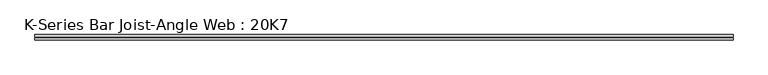
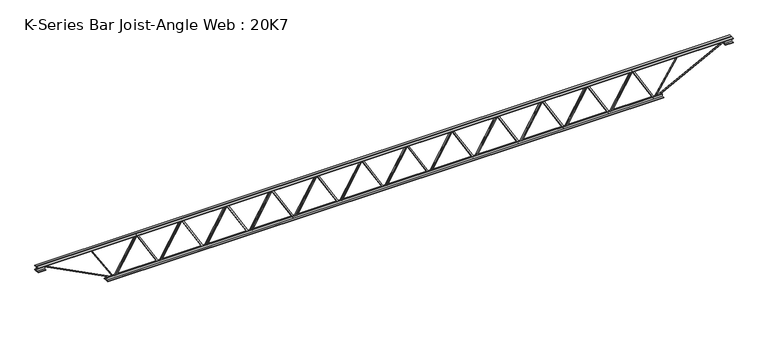
"""IFC4 building model written with IfcOpenShell, lengths in millimetres: beam geometry, K-Series Bar Joist-Angle Web : 20K7."""

import ifcopenshell
import ifcopenshell.guid

model = None  # the IFC model being written
_history = None  # IfcOwnerHistory: only IFC2X3 demands one
_inside = {}  # id of a spatial element -> (the spatial element, [elements in it])
_under = {}  # id of a project, library or spatial element -> (it, [spatial elements below it])
_declared = {}  # id of a project -> (the project, [libraries it declares])
_typed = {}  # id of a type object -> (the type object, [elements of that type])
_made_of = {}  # id of a material, layer set ... -> (it, [elements and type objects made of it])


def new_model(schema):
    """Start an empty IFC model of exactly this schema.

    Asked for "IFC4X3", IfcOpenShell would pick the latest addendum, in which some entities
    have other attributes; the version numbers below select the first issue.
    IFC2X3 requires an IfcOwnerHistory on every rooted entity: one is made here for all.
    """
    global model, _history
    if schema == "IFC4X3":
        model = ifcopenshell.file(schema_version=(4, 3, 0, 0))
    else:
        model = ifcopenshell.file(schema=schema)
    _inside.clear()
    _under.clear()
    _declared.clear()
    _typed.clear()
    _made_of.clear()
    _history = None
    if model.schema == "IFC2X3":
        org = make("IfcOrganization", Name="unknown")
        user = make(
            "IfcPersonAndOrganization",
            ThePerson=make("IfcPerson", FamilyName="unknown"),
            TheOrganization=org,
        )
        app = make(
            "IfcApplication",
            ApplicationDeveloper=org,
            Version="unknown",
            ApplicationFullName="unknown",
            ApplicationIdentifier="unknown",
        )
        _history = make(
            "IfcOwnerHistory",
            OwningUser=user,
            OwningApplication=app,
            ChangeAction="ADDED",
            CreationDate=0,
        )
    return model


def make(cls, **values):
    """One entity of the class cls with the attributes given. An attribute that is None is left unset."""
    return model.create_entity(
        cls, **{name: value for name, value in values.items() if value is not None}
    )


def rooted(cls, **values):
    """An entity with a GlobalId (a new one), such as an element, a storey or a relation."""
    return make(cls, GlobalId=ifcopenshell.guid.new(), OwnerHistory=_history, **values)


def si_unit(unit_type, name, prefix=None):
    """IfcSIUnit, for example si_unit("LENGTHUNIT", "METRE", prefix="MILLI")."""
    return make("IfcSIUnit", UnitType=unit_type, Prefix=prefix, Name=name)


def assignment(units):
    """IfcUnitAssignment: the units of a project."""
    return None if units is None else make("IfcUnitAssignment", Units=units)


def point(xyz):
    """IfcCartesianPoint."""
    return None if xyz is None else make("IfcCartesianPoint", Coordinates=xyz)


def direction(xyz):
    """IfcDirection."""
    return None if xyz is None else make("IfcDirection", DirectionRatios=xyz)


def frame(location, z_axis=None, x_axis=None):
    """IfcAxis2Placement3D, a coordinate frame: its origin and axes. An axis left out is left unset."""
    return make(
        "IfcAxis2Placement3D",
        Location=point(location),
        Axis=direction(z_axis),
        RefDirection=direction(x_axis),
    )


def origin():
    """The frame at (0, 0, 0) with its axes left unset."""
    return frame((0.0, 0.0, 0.0))


def place(relative_to, where):
    """IfcLocalPlacement: puts the frame where relative to a parent placement (None: the world)."""
    return make(
        "IfcLocalPlacement", PlacementRelTo=relative_to, RelativePlacement=where
    )


def context(
    kind, dimensions, precision=None, world=None, true_north=None, identifier=None
):
    """IfcGeometricRepresentationContext, for example the 3D "Model" context."""
    return make(
        "IfcGeometricRepresentationContext",
        ContextIdentifier=identifier,
        ContextType=kind,
        CoordinateSpaceDimension=dimensions,
        Precision=precision,
        WorldCoordinateSystem=world,
        TrueNorth=true_north,
    )


def project(units=None, contexts=None):
    """IfcProject with its units and contexts."""
    return rooted(
        "IfcProject",
        Name="project",
        RepresentationContexts=contexts,
        UnitsInContext=assignment(units),
    )


def spatial(cls, under=None, at=None, **own):
    """A site, building, storey or space (cls), placed at a placement, below another one or the project."""
    s = rooted(cls, ObjectPlacement=at, **own)
    if under is not None:
        _under.setdefault(under.id(), (under, []))[1].append(s)
    return s


def polyline(points):
    """IfcPolyline through the points."""
    return make("IfcPolyline", Points=[point(p) for p in points])


def outline(outer, holes=None, kind="AREA"):
    """IfcArbitraryClosedProfileDef: a profile drawn as a closed curve; with holes, ...WithVoids."""
    if holes is None:
        return make("IfcArbitraryClosedProfileDef", ProfileType=kind, OuterCurve=outer)
    return make(
        "IfcArbitraryProfileDefWithVoids",
        ProfileType=kind,
        OuterCurve=outer,
        InnerCurves=holes,
    )


def extrude(swept, where, along, depth):
    """IfcExtrudedAreaSolid: the profile swept, set in the frame where, extruded along a direction by depth."""
    return make(
        "IfcExtrudedAreaSolid",
        SweptArea=swept,
        Position=where,
        ExtrudedDirection=direction(along),
        Depth=depth,
    )


def faces_of(points, faces, orient=None, outer=None):
    """IfcFace entities. A face is a list of loops; a loop is a list of indices into points, from 0.

    orient and outer hold one flag for each loop. By default every Orientation is true, the
    first loop of a face is its IfcFaceOuterBound and the others are IfcFaceBound.
    """
    made = []
    for i, loops in enumerate(faces):
        bounds = []
        for j, loop in enumerate(loops):
            is_outer = j == 0 if outer is None else outer[i][j]
            bounds.append(
                make(
                    "IfcFaceOuterBound" if is_outer else "IfcFaceBound",
                    Bound=make("IfcPolyLoop", Polygon=[points[k] for k in loop]),
                    Orientation=True if orient is None else orient[i][j],
                )
            )
        made.append(make("IfcFace", Bounds=bounds))
    return made


def faceted_brep(points, faces, orient=None, outer=None, voids=None):
    """IfcFacetedBrep: a solid bounded by flat faces; with voids (closed shells), ...WithVoids."""
    shared = [point(p) for p in points]
    hull = make("IfcClosedShell", CfsFaces=faces_of(shared, faces, orient, outer))
    if voids is None:
        return make("IfcFacetedBrep", Outer=hull)
    return make(
        "IfcFacetedBrepWithVoids",
        Outer=hull,
        Voids=[
            make(cls, CfsFaces=faces_of(shared, fs, o, b)) for cls, fs, o, b in voids
        ],
    )


def shape(context_of_items, identifier, shape_type, items):
    """IfcShapeRepresentation: the items that make up one representation, for example the "Body"."""
    return make(
        "IfcShapeRepresentation",
        ContextOfItems=context_of_items,
        RepresentationIdentifier=identifier,
        RepresentationType=shape_type,
        Items=items,
    )


def source(mapping_origin, context_of_items, identifier, shape_type, items):
    """IfcRepresentationMap: a shape defined once, which mapped items show again and again."""
    return make(
        "IfcRepresentationMap",
        MappingOrigin=mapping_origin,
        MappedRepresentation=shape(context_of_items, identifier, shape_type, items),
    )


def transform(
    local_origin,
    x_axis=None,
    y_axis=None,
    z_axis=None,
    scale=None,
    scale2=None,
    scale3=None,
    uniform=True,
):
    """IfcCartesianTransformationOperator3D, or its non-uniform kind. x_axis, y_axis, z_axis: its Axis1, 2, 3."""
    if uniform:
        return make(
            "IfcCartesianTransformationOperator3D",
            Axis1=direction(x_axis),
            Axis2=direction(y_axis),
            LocalOrigin=point(local_origin),
            Scale=scale,
            Axis3=direction(z_axis),
        )
    return make(
        "IfcCartesianTransformationOperator3DnonUniform",
        Axis1=direction(x_axis),
        Axis2=direction(y_axis),
        LocalOrigin=point(local_origin),
        Scale=scale,
        Axis3=direction(z_axis),
        Scale2=scale2,
        Scale3=scale3,
    )


def mapped(mapping_source, mapping_target):
    """IfcMappedItem: shows the shape of a source again, moved by a transform."""
    return make(
        "IfcMappedItem", MappingSource=mapping_source, MappingTarget=mapping_target
    )


def made_of(thing, what):
    """Note that an element or type object is made of a material, layer set ...; save() writes the relation."""
    if what is not None:
        _made_of.setdefault(what.id(), (what, []))[1].append(thing)
    return thing


def element(
    cls,
    number,
    at=None,
    inside=None,
    cuts=None,
    type_object=None,
    material=None,
    context=None,
    identifier="Body",
    shape_type=None,
    held_by="IfcProductDefinitionShape",
    body=None,
    shapes=None,
    **own,
):
    """One element of the class cls, such as IfcWall. Its Tag is "e" and its number.

    at: its placement. inside: the storey or other place that contains it. cuts: it is an
    opening in that element (IfcRelVoidsElement). A single representation is given by context,
    identifier, shape_type and body (its items); several are given by shapes. held_by: the class
    of the entity that holds the representations. save() writes the other relations.
    """
    e = rooted(cls, Tag="e%d" % number, ObjectPlacement=at, **own)
    if body is not None:
        shapes = [shape(context, identifier, shape_type, body)]
    if shapes is not None:
        e.Representation = make(held_by, Representations=shapes)
    if inside is not None:
        _inside.setdefault(inside.id(), (inside, []))[1].append(e)
    if cuts is not None:
        rooted(
            "IfcRelVoidsElement", RelatingBuildingElement=cuts, RelatedOpeningElement=e
        )
    if type_object is not None:
        _typed.setdefault(type_object.id(), (type_object, []))[1].append(e)
    return made_of(e, material)


def aggregate(whole, parts):
    """IfcRelAggregates: a whole, such as a stair, and the parts it consists of."""
    return rooted("IfcRelAggregates", RelatingObject=whole, RelatedObjects=parts)


def save(model, path):
    """Write the relations noted so far, then the file.

    IfcRelAggregates (storeys below a building ...), IfcRelContainedInSpatialStructure (elements
    in a storey), IfcRelDefinesByType, IfcRelAssociatesMaterial and IfcRelDeclares: one each for
    every whole, place, type object, material and project.
    """
    for whole, parts in _under.values():
        aggregate(whole, parts)
    for where, things in _inside.values():
        rooted(
            "IfcRelContainedInSpatialStructure",
            RelatedElements=things,
            RelatingStructure=where,
        )
    for kind, things in _typed.values():
        rooted("IfcRelDefinesByType", RelatedObjects=things, RelatingType=kind)
    for what, things in _made_of.values():
        rooted("IfcRelAssociatesMaterial", RelatedObjects=things, RelatingMaterial=what)
    for by, libraries in _declared.values():
        rooted("IfcRelDeclares", RelatingContext=by, RelatedDefinitions=libraries)
    model.write(path)


def k_series_bar_joist_angle_web_20k7_08b4611a(model_context):
    return source(origin(), model_context, "Body", "SolidModel", [
        extrude(outline(polyline([(-4.7625, 4.7625), (-4.7625, 0.0), (-17.4625, 0.0), (-17.4625, 4.7625), (-4.7625, 4.7625)])), frame((2931.0070269, 0.0, -215.9), z_axis=(-0.5066895930677916, 0.0, 0.8621285613391982), x_axis=(0.0, -1.0, 0.0)), (0.0, 0.0, 1.0), 500.8533754),
        extrude(outline(polyline([(-250.825, 2963.3333333), (-231.775, 2963.3333333), (-231.775, 2962.4335432), (250.825, 2678.8002099), (250.825, 2660.65), (231.775, 2660.65), (231.775, 2667.8997901), (-250.825, 2951.5331234), (-250.825, 2963.3333333)])), frame((0.0, 0.0, 0.0), z_axis=(0.0, 1.0, 0.0), x_axis=(0.0, 0.0, 1.0)), (0.0, 0.0, 1.0), 4.7625),
        faceted_brep([(2370.6666667, 0.0, -231.775), (2370.6666667, 0.0, -250.825), (2370.6666667, -4.7625, -250.825), (2370.6666667, -4.7625, -231.775), (2371.5664568, 0.0, -231.775), (2655.1997901, 0.0, 250.825), (2673.35, 0.0, 250.825), (2673.35, 0.0, 231.775), (2666.1002099, 0.0, 231.775), (2382.4668766, 0.0, -250.825), (2382.4668766, -4.7625, -250.825), (2402.9929731, -4.7625, -215.9), (2398.8870858, -4.7625, -213.4868908), (2652.6642788, -4.7625, 218.3131092), (2656.770166, -4.7625, 215.9), (2666.1002099, -4.7625, 231.775), (2673.35, -4.7625, 231.775), (2673.35, -4.7625, 250.825), (2655.1997901, -4.7625, 250.825), (2371.5664568, -4.7625, -231.775), (2656.770166, -17.4625, 215.9), (2402.9929731, -17.4625, -215.9), (2398.8870858, -17.4625, -213.4868908), (2652.6642788, -17.4625, 218.3131092)], [[[0, 1, 2, 3]], [[1, 0, 4, 5, 6, 7, 8, 9]], [[2, 1, 9, 10]], [[3, 2, 10, 11, 12, 13, 14, 15, 16, 17, 18, 19]], [[0, 3, 19, 4]], [[9, 8, 15, 14, 20, 21, 11, 10]], [[5, 4, 19, 18]], [[7, 6, 17, 16]], [[8, 7, 16, 15]], [[6, 5, 18, 17]], [[21, 22, 12, 11]], [[20, 14, 13, 23]], [[22, 21, 20, 23]], [[12, 22, 23, 13]]]),
        extrude(outline(polyline([(-4.7625, 4.7624999), (-4.7625, 0.0), (-17.4625, 0.0), (-17.4625, 4.7624999), (-4.7625, 4.7624999)])), frame((2338.3403603, 0.0, -215.9), z_axis=(-0.5066895930677916, 0.0, 0.8621285613391982), x_axis=(0.0, -1.0, 0.0)), (0.0, 0.0, 1.0), 500.8533754),
        extrude(outline(polyline([(-250.825, 2370.6666667), (-231.775, 2370.6666667), (-231.775, 2369.7668766), (250.825, 2086.1335432), (250.825, 2067.9833333), (231.775, 2067.9833333), (231.775, 2075.2331234), (-250.825, 2358.8664568), (-250.825, 2370.6666667)])), frame((0.0, 0.0, 0.0), z_axis=(0.0, 1.0, 0.0), x_axis=(0.0, 0.0, 1.0)), (0.0, 0.0, 1.0), 4.7625),
        faceted_brep([(1778.0, 0.0, -231.775), (1778.0, 0.0, -250.825), (1778.0, -4.7625, -250.825), (1778.0, -4.7625, -231.775), (1778.8997901, 0.0, -231.775), (2062.5331234, 0.0, 250.825), (2080.6833333, 0.0, 250.825), (2080.6833333, 0.0, 231.775), (2073.4335432, 0.0, 231.775), (1789.8002099, 0.0, -250.825), (1789.8002099, -4.7625, -250.825), (1810.3263064, -4.7625, -215.9), (1806.2204191, -4.7625, -213.4868908), (2059.9976121, -4.7625, 218.3131092), (2064.1034994, -4.7625, 215.9), (2073.4335432, -4.7625, 231.775), (2080.6833333, -4.7625, 231.775), (2080.6833333, -4.7625, 250.825), (2062.5331234, -4.7625, 250.825), (1778.8997901, -4.7625, -231.775), (2064.1034994, -17.4625, 215.9), (1810.3263064, -17.4625, -215.9), (1806.2204191, -17.4625, -213.4868908), (2059.9976121, -17.4625, 218.3131092)], [[[0, 1, 2, 3]], [[1, 0, 4, 5, 6, 7, 8, 9]], [[2, 1, 9, 10]], [[3, 2, 10, 11, 12, 13, 14, 15, 16, 17, 18, 19]], [[0, 3, 19, 4]], [[9, 8, 15, 14, 20, 21, 11, 10]], [[5, 4, 19, 18]], [[7, 6, 17, 16]], [[8, 7, 16, 15]], [[6, 5, 18, 17]], [[21, 22, 12, 11]], [[20, 14, 13, 23]], [[22, 21, 20, 23]], [[12, 22, 23, 13]]]),
        extrude(outline(polyline([(-4.7625, 4.7625), (-4.7625, 0.0), (-17.4625, 0.0), (-17.4625, 4.7625), (-4.7625, 4.7625)])), frame((1745.6736936, 0.0, -215.9), z_axis=(-0.5066895930677916, 0.0, 0.8621285613391982), x_axis=(0.0, -1.0, 0.0)), (0.0, 0.0, 1.0), 500.8533754),
        extrude(outline(polyline([(-250.825, 1778.0), (-231.775, 1778.0), (-231.775, 1777.1002099), (250.825, 1493.4668766), (250.825, 1475.3166667), (231.775, 1475.3166667), (231.775, 1482.5664568), (-250.825, 1766.1997901), (-250.825, 1778.0)])), frame((0.0, 0.0, 0.0), z_axis=(0.0, 1.0, 0.0), x_axis=(0.0, 0.0, 1.0)), (0.0, 0.0, 1.0), 4.7625),
        faceted_brep([(1185.3333333, 0.0, -231.775), (1185.3333333, 0.0, -250.825), (1185.3333333, -4.7625, -250.825), (1185.3333333, -4.7625, -231.775), (1186.2331234, 0.0, -231.775), (1469.8664568, 0.0, 250.825), (1488.0166667, 0.0, 250.825), (1488.0166667, 0.0, 231.775), (1480.7668766, 0.0, 231.775), (1197.1335432, 0.0, -250.825), (1197.1335432, -4.7625, -250.825), (1217.6596397, -4.7625, -215.9), (1213.5537525, -4.7625, -213.4868908), (1467.3309454, -4.7625, 218.3131092), (1471.4368327, -4.7625, 215.9), (1480.7668766, -4.7625, 231.775), (1488.0166667, -4.7625, 231.775), (1488.0166667, -4.7625, 250.825), (1469.8664568, -4.7625, 250.825), (1186.2331234, -4.7625, -231.775), (1471.4368327, -17.4625, 215.9), (1217.6596397, -17.4625, -215.9), (1213.5537525, -17.4625, -213.4868908), (1467.3309454, -17.4625, 218.3131092)], [[[0, 1, 2, 3]], [[1, 0, 4, 5, 6, 7, 8, 9]], [[2, 1, 9, 10]], [[3, 2, 10, 11, 12, 13, 14, 15, 16, 17, 18, 19]], [[0, 3, 19, 4]], [[9, 8, 15, 14, 20, 21, 11, 10]], [[5, 4, 19, 18]], [[7, 6, 17, 16]], [[8, 7, 16, 15]], [[6, 5, 18, 17]], [[21, 22, 12, 11]], [[20, 14, 13, 23]], [[22, 21, 20, 23]], [[12, 22, 23, 13]]]),
        extrude(outline(polyline([(-4.7625, 4.7625), (-4.7625, 0.0), (-17.4625, 0.0), (-17.4625, 4.7625), (-4.7625, 4.7625)])), frame((1153.0070269, 0.0, -215.9), z_axis=(-0.5066895930677916, 0.0, 0.8621285613391982), x_axis=(0.0, -1.0, 0.0)), (0.0, 0.0, 1.0), 500.8533754),
        extrude(outline(polyline([(-250.825, 1185.3333333), (-231.775, 1185.3333333), (-231.775, 1184.4335432), (250.825, 900.8002099), (250.825, 882.65), (231.775, 882.65), (231.775, 889.8997901), (-250.825, 1173.5331234), (-250.825, 1185.3333333)])), frame((0.0, 0.0, 0.0), z_axis=(0.0, 1.0, 0.0), x_axis=(0.0, 0.0, 1.0)), (0.0, 0.0, 1.0), 4.7625),
        faceted_brep([(592.6666667, 0.0, -231.775), (592.6666667, 0.0, -250.825), (592.6666667, -4.7625, -250.825), (592.6666667, -4.7625, -231.775), (593.5664568, 0.0, -231.775), (877.1997901, 0.0, 250.825), (895.35, 0.0, 250.825), (895.35, 0.0, 231.775), (888.1002099, 0.0, 231.775), (604.4668766, 0.0, -250.825), (604.4668766, -4.7625, -250.825), (624.9929731, -4.7625, -215.9), (620.8870858, -4.7625, -213.4868908), (874.6642788, -4.7625, 218.3131092), (878.770166, -4.7625, 215.9), (888.1002099, -4.7625, 231.775), (895.35, -4.7625, 231.775), (895.35, -4.7625, 250.825), (877.1997901, -4.7625, 250.825), (593.5664568, -4.7625, -231.775), (878.770166, -17.4625, 215.9), (624.9929731, -17.4625, -215.9), (620.8870858, -17.4625, -213.4868908), (874.6642788, -17.4625, 218.3131092)], [[[0, 1, 2, 3]], [[1, 0, 4, 5, 6, 7, 8, 9]], [[2, 1, 9, 10]], [[3, 2, 10, 11, 12, 13, 14, 15, 16, 17, 18, 19]], [[0, 3, 19, 4]], [[9, 8, 15, 14, 20, 21, 11, 10]], [[5, 4, 19, 18]], [[7, 6, 17, 16]], [[8, 7, 16, 15]], [[6, 5, 18, 17]], [[21, 22, 12, 11]], [[20, 14, 13, 23]], [[22, 21, 20, 23]], [[12, 22, 23, 13]]]),
        extrude(outline(polyline([(-4.7625, 4.7624999), (-4.7625, 0.0), (-17.4625, 0.0), (-17.4625, 4.7624999), (-4.7625, 4.7624999)])), frame((560.3403603, 0.0, -215.9), z_axis=(-0.5066895930677916, 0.0, 0.8621285613391982), x_axis=(0.0, -1.0, 0.0)), (0.0, 0.0, 1.0), 500.8533754),
        extrude(outline(polyline([(-250.825, 592.6666667), (-231.775, 592.6666667), (-231.775, 591.7668766), (250.825, 308.1335432), (250.825, 289.9833333), (231.775, 289.9833333), (231.775, 297.2331234), (-250.825, 580.8664568), (-250.825, 592.6666667)])), frame((0.0, 0.0, 0.0), z_axis=(0.0, 1.0, 0.0), x_axis=(0.0, 0.0, 1.0)), (0.0, 0.0, 1.0), 4.7625),
        faceted_brep([(0.0, 0.0, -231.775), (0.0, 0.0, -250.825), (0.0, -4.7625, -250.825), (0.0, -4.7625, -231.775), (0.8997901, 0.0, -231.775), (284.5331234, 0.0, 250.825), (302.6833333, 0.0, 250.825), (302.6833333, 0.0, 231.775), (295.4335432, 0.0, 231.775), (11.8002099, 0.0, -250.825), (11.8002099, -4.7625, -250.825), (32.3263064, -4.7625, -215.9), (28.2204191, -4.7625, -213.4868908), (281.9976121, -4.7625, 218.3131092), (286.1034994, -4.7625, 215.9), (295.4335432, -4.7625, 231.775), (302.6833333, -4.7625, 231.775), (302.6833333, -4.7625, 250.825), (284.5331234, -4.7625, 250.825), (0.8997901, -4.7625, -231.775), (286.1034994, -17.4625, 215.9), (32.3263064, -17.4625, -215.9), (28.2204191, -17.4625, -213.4868908), (281.9976121, -17.4625, 218.3131092)], [[[0, 1, 2, 3]], [[1, 0, 4, 5, 6, 7, 8, 9]], [[2, 1, 9, 10]], [[3, 2, 10, 11, 12, 13, 14, 15, 16, 17, 18, 19]], [[0, 3, 19, 4]], [[9, 8, 15, 14, 20, 21, 11, 10]], [[5, 4, 19, 18]], [[7, 6, 17, 16]], [[8, 7, 16, 15]], [[6, 5, 18, 17]], [[21, 22, 12, 11]], [[20, 14, 13, 23]], [[22, 21, 20, 23]], [[12, 22, 23, 13]]]),
        extrude(outline(polyline([(-4.7625, 4.7625), (-4.7625, 0.0), (-17.4625, 0.0), (-17.4625, 4.7625), (-4.7625, 4.7625)])), frame((-32.3263064, 0.0, -215.9), z_axis=(-0.5066895930677916, 0.0, 0.8621285613391982), x_axis=(0.0, -1.0, 0.0)), (0.0, 0.0, 1.0), 500.8533754),
        extrude(outline(polyline([(-250.825, 0.0), (-231.775, 0.0), (-231.775, -0.8997901), (250.825, -284.5331234), (250.825, -302.6833333), (231.775, -302.6833333), (231.775, -295.4335432), (-250.825, -11.8002099), (-250.825, 0.0)])), frame((0.0, 0.0, 0.0), z_axis=(0.0, 1.0, 0.0), x_axis=(0.0, 0.0, 1.0)), (0.0, 0.0, 1.0), 4.7625),
        faceted_brep([(-592.6666667, 0.0, -231.775), (-592.6666667, 0.0, -250.825), (-592.6666667, -4.7625, -250.825), (-592.6666667, -4.7625, -231.775), (-591.7668766, 0.0, -231.775), (-308.1335432, 0.0, 250.825), (-289.9833333, 0.0, 250.825), (-289.9833333, 0.0, 231.775), (-297.2331234, 0.0, 231.775), (-580.8664568, 0.0, -250.825), (-580.8664568, -4.7625, -250.825), (-560.3403603, -4.7625, -215.9), (-564.4462475, -4.7625, -213.4868908), (-310.6690546, -4.7625, 218.3131092), (-306.5631673, -4.7625, 215.9), (-297.2331234, -4.7625, 231.775), (-289.9833333, -4.7625, 231.775), (-289.9833333, -4.7625, 250.825), (-308.1335432, -4.7625, 250.825), (-591.7668766, -4.7625, -231.775), (-306.5631673, -17.4625, 215.9), (-560.3403603, -17.4625, -215.9), (-564.4462475, -17.4625, -213.4868908), (-310.6690546, -17.4625, 218.3131092)], [[[0, 1, 2, 3]], [[1, 0, 4, 5, 6, 7, 8, 9]], [[2, 1, 9, 10]], [[3, 2, 10, 11, 12, 13, 14, 15, 16, 17, 18, 19]], [[0, 3, 19, 4]], [[9, 8, 15, 14, 20, 21, 11, 10]], [[5, 4, 19, 18]], [[7, 6, 17, 16]], [[8, 7, 16, 15]], [[6, 5, 18, 17]], [[21, 22, 12, 11]], [[20, 14, 13, 23]], [[22, 21, 20, 23]], [[12, 22, 23, 13]]]),
        extrude(outline(polyline([(-4.7625, 4.7625), (-4.7625, 0.0), (-17.4625, 0.0), (-17.4625, 4.7625), (-4.7625, 4.7625)])), frame((-624.9929731, 0.0, -215.9), z_axis=(-0.5066895930677916, 0.0, 0.8621285613391982), x_axis=(0.0, -1.0, 0.0)), (0.0, 0.0, 1.0), 500.8533754),
        extrude(outline(polyline([(-250.825, -592.6666667), (-231.775, -592.6666667), (-231.775, -593.5664568), (250.825, -877.1997901), (250.825, -895.35), (231.775, -895.35), (231.775, -888.1002099), (-250.825, -604.4668766), (-250.825, -592.6666667)])), frame((0.0, 0.0, 0.0), z_axis=(0.0, 1.0, 0.0), x_axis=(0.0, 0.0, 1.0)), (0.0, 0.0, 1.0), 4.7625),
        faceted_brep([(-1185.3333333, 0.0, -231.775), (-1185.3333333, 0.0, -250.825), (-1185.3333333, -4.7625, -250.825), (-1185.3333333, -4.7625, -231.775), (-1184.4335432, 0.0, -231.775), (-900.8002099, 0.0, 250.825), (-882.65, 0.0, 250.825), (-882.65, 0.0, 231.775), (-889.8997901, 0.0, 231.775), (-1173.5331234, 0.0, -250.825), (-1173.5331234, -4.7625, -250.825), (-1153.0070269, -4.7625, -215.9), (-1157.1129142, -4.7625, -213.4868908), (-903.3357212, -4.7625, 218.3131092), (-899.229834, -4.7625, 215.9), (-889.8997901, -4.7625, 231.775), (-882.65, -4.7625, 231.775), (-882.65, -4.7625, 250.825), (-900.8002099, -4.7625, 250.825), (-1184.4335432, -4.7625, -231.775), (-899.229834, -17.4625, 215.9), (-1153.0070269, -17.4625, -215.9), (-1157.1129142, -17.4625, -213.4868908), (-903.3357212, -17.4625, 218.3131092)], [[[0, 1, 2, 3]], [[1, 0, 4, 5, 6, 7, 8, 9]], [[2, 1, 9, 10]], [[3, 2, 10, 11, 12, 13, 14, 15, 16, 17, 18, 19]], [[0, 3, 19, 4]], [[9, 8, 15, 14, 20, 21, 11, 10]], [[5, 4, 19, 18]], [[7, 6, 17, 16]], [[8, 7, 16, 15]], [[6, 5, 18, 17]], [[21, 22, 12, 11]], [[20, 14, 13, 23]], [[22, 21, 20, 23]], [[12, 22, 23, 13]]]),
        extrude(outline(polyline([(-4.7625, 4.7624999), (-4.7625, 0.0), (-17.4625, 0.0), (-17.4625, 4.7624999), (-4.7625, 4.7624999)])), frame((-1217.6596397, 0.0, -215.9), z_axis=(-0.5066895930677916, 0.0, 0.8621285613391982), x_axis=(0.0, -1.0, 0.0)), (0.0, 0.0, 1.0), 500.8533754),
        extrude(outline(polyline([(-250.825, -1185.3333333), (-231.775, -1185.3333333), (-231.775, -1186.2331234), (250.825, -1469.8664568), (250.825, -1488.0166667), (231.775, -1488.0166667), (231.775, -1480.7668766), (-250.825, -1197.1335432), (-250.825, -1185.3333333)])), frame((0.0, 0.0, 0.0), z_axis=(0.0, 1.0, 0.0), x_axis=(0.0, 0.0, 1.0)), (0.0, 0.0, 1.0), 4.7625),
        faceted_brep([(-1778.0, 0.0, -231.775), (-1778.0, 0.0, -250.825), (-1778.0, -4.7625, -250.825), (-1778.0, -4.7625, -231.775), (-1777.1002099, 0.0, -231.775), (-1493.4668766, 0.0, 250.825), (-1475.3166667, 0.0, 250.825), (-1475.3166667, 0.0, 231.775), (-1482.5664568, 0.0, 231.775), (-1766.1997901, 0.0, -250.825), (-1766.1997901, -4.7625, -250.825), (-1745.6736936, -4.7625, -215.9), (-1749.7795809, -4.7625, -213.4868908), (-1496.0023879, -4.7625, 218.3131092), (-1491.8965006, -4.7625, 215.9), (-1482.5664568, -4.7625, 231.775), (-1475.3166667, -4.7625, 231.775), (-1475.3166667, -4.7625, 250.825), (-1493.4668766, -4.7625, 250.825), (-1777.1002099, -4.7625, -231.775), (-1491.8965006, -17.4625, 215.9), (-1745.6736936, -17.4625, -215.9), (-1749.7795809, -17.4625, -213.4868908), (-1496.0023879, -17.4625, 218.3131092)], [[[0, 1, 2, 3]], [[1, 0, 4, 5, 6, 7, 8, 9]], [[2, 1, 9, 10]], [[3, 2, 10, 11, 12, 13, 14, 15, 16, 17, 18, 19]], [[0, 3, 19, 4]], [[9, 8, 15, 14, 20, 21, 11, 10]], [[5, 4, 19, 18]], [[7, 6, 17, 16]], [[8, 7, 16, 15]], [[6, 5, 18, 17]], [[21, 22, 12, 11]], [[20, 14, 13, 23]], [[22, 21, 20, 23]], [[12, 22, 23, 13]]]),
        extrude(outline(polyline([(-4.7625, 4.7625), (-4.7625, 0.0), (-17.4625, 0.0), (-17.4625, 4.7625), (-4.7625, 4.7625)])), frame((-1810.3263064, 0.0, -215.9), z_axis=(-0.5066895930677916, 0.0, 0.8621285613391982), x_axis=(0.0, -1.0, 0.0)), (0.0, 0.0, 1.0), 500.8533754),
        extrude(outline(polyline([(-250.825, -1778.0), (-231.775, -1778.0), (-231.775, -1778.8997901), (250.825, -2062.5331234), (250.825, -2080.6833333), (231.775, -2080.6833333), (231.775, -2073.4335432), (-250.825, -1789.8002099), (-250.825, -1778.0)])), frame((0.0, 0.0, 0.0), z_axis=(0.0, 1.0, 0.0), x_axis=(0.0, 0.0, 1.0)), (0.0, 0.0, 1.0), 4.7625),
        faceted_brep([(-2370.6666667, 0.0, -231.775), (-2370.6666667, 0.0, -250.825), (-2370.6666667, -4.7625, -250.825), (-2370.6666667, -4.7625, -231.775), (-2369.7668766, 0.0, -231.775), (-2086.1335432, 0.0, 250.825), (-2067.9833333, 0.0, 250.825), (-2067.9833333, 0.0, 231.775), (-2075.2331234, 0.0, 231.775), (-2358.8664568, 0.0, -250.825), (-2358.8664568, -4.7625, -250.825), (-2338.3403603, -4.7625, -215.9), (-2342.4462475, -4.7625, -213.4868908), (-2088.6690546, -4.7625, 218.3131092), (-2084.5631673, -4.7625, 215.9), (-2075.2331234, -4.7625, 231.775), (-2067.9833333, -4.7625, 231.775), (-2067.9833333, -4.7625, 250.825), (-2086.1335432, -4.7625, 250.825), (-2369.7668766, -4.7625, -231.775), (-2084.5631673, -17.4625, 215.9), (-2338.3403603, -17.4625, -215.9), (-2342.4462475, -17.4625, -213.4868908), (-2088.6690546, -17.4625, 218.3131092)], [[[0, 1, 2, 3]], [[1, 0, 4, 5, 6, 7, 8, 9]], [[2, 1, 9, 10]], [[3, 2, 10, 11, 12, 13, 14, 15, 16, 17, 18, 19]], [[0, 3, 19, 4]], [[9, 8, 15, 14, 20, 21, 11, 10]], [[5, 4, 19, 18]], [[7, 6, 17, 16]], [[8, 7, 16, 15]], [[6, 5, 18, 17]], [[21, 22, 12, 11]], [[20, 14, 13, 23]], [[22, 21, 20, 23]], [[12, 22, 23, 13]]]),
        extrude(outline(polyline([(-4.7625, 4.7625), (-4.7625, 0.0), (-17.4625, 0.0), (-17.4625, 4.7625), (-4.7625, 4.7625)])), frame((-2402.9929731, 0.0, -215.9), z_axis=(-0.5066895930677916, 0.0, 0.8621285613391982), x_axis=(0.0, -1.0, 0.0)), (0.0, 0.0, 1.0), 500.8533754),
        extrude(outline(polyline([(-250.825, -2370.6666667), (-231.775, -2370.6666667), (-231.775, -2371.5664568), (250.825, -2655.1997901), (250.825, -2673.35), (231.775, -2673.35), (231.775, -2666.1002099), (-250.825, -2382.4668766), (-250.825, -2370.6666667)])), frame((0.0, 0.0, 0.0), z_axis=(0.0, 1.0, 0.0), x_axis=(0.0, 0.0, 1.0)), (0.0, 0.0, 1.0), 4.7625),
        faceted_brep([(-2963.3333333, 0.0, -231.775), (-2963.3333333, 0.0, -250.825), (-2963.3333333, -4.7625, -250.825), (-2963.3333333, -4.7625, -231.775), (-2962.4335432, 0.0, -231.775), (-2678.8002099, 0.0, 250.825), (-2660.65, 0.0, 250.825), (-2660.65, 0.0, 231.775), (-2667.8997901, 0.0, 231.775), (-2951.5331234, 0.0, -250.825), (-2951.5331234, -4.7625, -250.825), (-2931.0070269, -4.7625, -215.9), (-2935.1129142, -4.7625, -213.4868908), (-2681.3357212, -4.7625, 218.3131092), (-2677.229834, -4.7625, 215.9), (-2667.8997901, -4.7625, 231.775), (-2660.65, -4.7625, 231.775), (-2660.65, -4.7625, 250.825), (-2678.8002099, -4.7625, 250.825), (-2962.4335432, -4.7625, -231.775), (-2677.229834, -17.4625, 215.9), (-2931.0070269, -17.4625, -215.9), (-2935.1129142, -17.4625, -213.4868908), (-2681.3357212, -17.4625, 218.3131092)], [[[0, 1, 2, 3]], [[1, 0, 4, 5, 6, 7, 8, 9]], [[2, 1, 9, 10]], [[3, 2, 10, 11, 12, 13, 14, 15, 16, 17, 18, 19]], [[0, 3, 19, 4]], [[9, 8, 15, 14, 20, 21, 11, 10]], [[5, 4, 19, 18]], [[7, 6, 17, 16]], [[8, 7, 16, 15]], [[6, 5, 18, 17]], [[21, 22, 12, 11]], [[20, 14, 13, 23]], [[22, 21, 20, 23]], [[12, 22, 23, 13]]]),
        extrude(outline(polyline([(-4.7625, 4.7625), (-4.7625, 0.0), (-17.4625, 0.0), (-17.4625, 4.7625), (-4.7625, 4.7625)])), frame((3523.6736936, 0.0, -215.9), z_axis=(-0.5066895930677916, 0.0, 0.8621285613391982), x_axis=(0.0, -1.0, 0.0)), (0.0, 0.0, 1.0), 500.8533754),
        extrude(outline(polyline([(-250.825, 3556.0), (-231.775, 3556.0), (-231.775, 3555.1002099), (250.825, 3271.4668766), (250.825, 3253.3166667), (231.775, 3253.3166667), (231.775, 3260.5664568), (-250.825, 3544.1997901), (-250.825, 3556.0)])), frame((0.0, 0.0, 0.0), z_axis=(0.0, 1.0, 0.0), x_axis=(0.0, 0.0, 1.0)), (0.0, 0.0, 1.0), 4.7625),
        faceted_brep([(2963.3333333, 0.0, -231.775), (2963.3333333, 0.0, -250.825), (2963.3333333, -4.7625, -250.825), (2963.3333333, -4.7625, -231.775), (2964.2331234, 0.0, -231.775), (3247.8664568, 0.0, 250.825), (3266.0166667, 0.0, 250.825), (3266.0166667, 0.0, 231.775), (3258.7668766, 0.0, 231.775), (2975.1335432, 0.0, -250.825), (2975.1335432, -4.7625, -250.825), (2995.6596397, -4.7625, -215.9), (2991.5537525, -4.7625, -213.4868908), (3245.3309454, -4.7625, 218.3131092), (3249.4368327, -4.7625, 215.9), (3258.7668766, -4.7625, 231.775), (3266.0166667, -4.7625, 231.775), (3266.0166667, -4.7625, 250.825), (3247.8664568, -4.7625, 250.825), (2964.2331234, -4.7625, -231.775), (3249.4368327, -17.4625, 215.9), (2995.6596397, -17.4625, -215.9), (2991.5537525, -17.4625, -213.4868908), (3245.3309454, -17.4625, 218.3131092)], [[[0, 1, 2, 3]], [[1, 0, 4, 5, 6, 7, 8, 9]], [[2, 1, 9, 10]], [[3, 2, 10, 11, 12, 13, 14, 15, 16, 17, 18, 19]], [[0, 3, 19, 4]], [[9, 8, 15, 14, 20, 21, 11, 10]], [[5, 4, 19, 18]], [[7, 6, 17, 16]], [[8, 7, 16, 15]], [[6, 5, 18, 17]], [[21, 22, 12, 11]], [[20, 14, 13, 23]], [[22, 21, 20, 23]], [[12, 22, 23, 13]]]),
        extrude(outline(polyline([(-4.7625, 4.7624999), (-4.7625, 0.0), (-17.4625, 0.0), (-17.4625, 4.7624999), (-4.7625, 4.7624999)])), frame((-2995.6596397, 0.0, -215.9), z_axis=(-0.5066895930677916, 0.0, 0.8621285613391982), x_axis=(0.0, -1.0, 0.0)), (0.0, 0.0, 1.0), 500.8533754),
        extrude(outline(polyline([(-250.825, -2963.3333333), (-231.775, -2963.3333333), (-231.775, -2964.2331234), (250.825, -3247.8664568), (250.825, -3266.0166667), (231.775, -3266.0166667), (231.775, -3258.7668766), (-250.825, -2975.1335432), (-250.825, -2963.3333333)])), frame((0.0, 0.0, 0.0), z_axis=(0.0, 1.0, 0.0), x_axis=(0.0, 0.0, 1.0)), (0.0, 0.0, 1.0), 4.7625),
        faceted_brep([(-3556.0, 0.0, -231.775), (-3556.0, 0.0, -250.825), (-3556.0, -4.7625, -250.825), (-3556.0, -4.7625, -231.775), (-3555.1002099, 0.0, -231.775), (-3271.4668766, 0.0, 250.825), (-3253.3166667, 0.0, 250.825), (-3253.3166667, 0.0, 231.775), (-3260.5664568, 0.0, 231.775), (-3544.1997901, 0.0, -250.825), (-3544.1997901, -4.7625, -250.825), (-3523.6736936, -4.7625, -215.9), (-3527.7795809, -4.7625, -213.4868908), (-3274.0023879, -4.7625, 218.3131092), (-3269.8965006, -4.7625, 215.9), (-3260.5664568, -4.7625, 231.775), (-3253.3166667, -4.7625, 231.775), (-3253.3166667, -4.7625, 250.825), (-3271.4668766, -4.7625, 250.825), (-3555.1002099, -4.7625, -231.775), (-3269.8965006, -17.4625, 215.9), (-3523.6736936, -17.4625, -215.9), (-3527.7795809, -17.4625, -213.4868908), (-3274.0023879, -17.4625, 218.3131092)], [[[0, 1, 2, 3]], [[1, 0, 4, 5, 6, 7, 8, 9]], [[2, 1, 9, 10]], [[3, 2, 10, 11, 12, 13, 14, 15, 16, 17, 18, 19]], [[0, 3, 19, 4]], [[9, 8, 15, 14, 20, 21, 11, 10]], [[5, 4, 19, 18]], [[7, 6, 17, 16]], [[8, 7, 16, 15]], [[6, 5, 18, 17]], [[21, 22, 12, 11]], [[20, 14, 13, 23]], [[22, 21, 20, 23]], [[12, 22, 23, 13]]]),
        extrude(outline(polyline([(4.7625, 254.0), (36.5125, 254.0), (36.5125, 247.65), (11.1125, 247.65), (11.1125, 222.25), (4.7625, 222.25), (4.7625, 254.0)])), frame((-4572.0, 0.0, 0.0), z_axis=(1.0, 0.0, 0.0), x_axis=(0.0, 1.0, 0.0)), (0.0, 0.0, 1.0), 9144.0),
        extrude(outline(polyline([(-4.7625, 254.0), (-4.7625, 222.25), (-11.1125, 222.25), (-11.1125, 247.65), (-36.5125, 247.65), (-36.5125, 254.0), (-4.7625, 254.0)])), frame((-4572.0, 0.0, 0.0), z_axis=(1.0, 0.0, 0.0), x_axis=(0.0, 1.0, 0.0)), (0.0, 0.0, 1.0), 9144.0),
        extrude(outline(polyline([(-4.7625, 190.5), (-36.5125, 190.5), (-36.5125, 196.85), (-11.1125, 196.85), (-11.1125, 222.25), (-4.7625, 222.25), (-4.7625, 190.5)])), frame((-4572.0, 0.0, 0.0), z_axis=(1.0, 0.0, 0.0), x_axis=(0.0, 1.0, 0.0)), (0.0, 0.0, 1.0), 101.6),
        extrude(outline(polyline([(36.5125, 190.5), (4.7625, 190.5), (4.7625, 222.25), (11.1125, 222.25), (11.1125, 196.85), (36.5125, 196.85), (36.5125, 190.5)])), frame((-4572.0, 0.0, 0.0), z_axis=(1.0, 0.0, 0.0), x_axis=(0.0, 1.0, 0.0)), (0.0, 0.0, 1.0), 101.6),
        extrude(outline(polyline([(4.7625, 190.5), (4.7625, 222.25), (11.1125, 222.25), (11.1125, 196.85), (36.5125, 196.85), (36.5125, 190.5), (4.7625, 190.5)])), frame((4470.4, 0.0, 0.0), z_axis=(1.0, 0.0, 0.0), x_axis=(0.0, 1.0, 0.0)), (0.0, 0.0, 1.0), 101.6),
        extrude(outline(polyline([(-4.7625, 190.5), (-36.5125, 190.5), (-36.5125, 196.85), (-11.1125, 196.85), (-11.1125, 222.25), (-4.7625, 222.25), (-4.7625, 190.5)])), frame((4470.4, 0.0, 0.0), z_axis=(1.0, 0.0, 0.0), x_axis=(0.0, 1.0, 0.0)), (0.0, 0.0, 1.0), 101.6),
        extrude(outline(polyline([(4.7625, -254.0), (4.7625, -222.25), (11.1125, -222.25), (11.1125, -247.65), (36.5125, -247.65), (36.5125, -254.0), (4.7625, -254.0)])), frame((-3657.6, 0.0, 0.0), z_axis=(1.0, 0.0, 0.0), x_axis=(0.0, 1.0, 0.0)), (0.0, 0.0, 1.0), 7315.2),
        extrude(outline(polyline([(-4.7625, -254.0), (-36.5125, -254.0), (-36.5125, -247.65), (-11.1125, -247.65), (-11.1125, -222.25), (-4.7625, -222.25), (-4.7625, -254.0)])), frame((-3657.6, 0.0, 0.0), z_axis=(1.0, 0.0, 0.0), x_axis=(0.0, 1.0, 0.0)), (0.0, 0.0, 1.0), 7315.2),
        extrude(outline(polyline([(4.7625, 4.7625), (4.7625, -4.7625), (-4.7625, -4.7625), (-4.7625, 4.7625), (4.7625, 4.7625)])), frame((3556.0, 0.0, -247.65), z_axis=(0.5334194615243464, 0.0, 0.845850860416348), x_axis=(0.0, -1.0, 0.0)), (0.0, 0.0, 1.0), 555.5352864),
        extrude(outline(polyline([(4.7625, 4.7625), (4.7625, -4.7625), (-4.7625, -4.7625), (-4.7625, 4.7625), (4.7625, 4.7625)])), frame((-3556.0, 0.0, -247.65), z_axis=(-0.5334194615243251, 0.0, 0.8458508604163616), x_axis=(0.0, -1.0, 0.0)), (0.0, 0.0, 1.0), 555.5352864),
        extrude(outline(polyline([(0.0, -9.525), (0.0, 0.0), (1028.0726482, 0.0), (1028.0726482, -9.525), (0.0, -9.525)])), frame((4472.5767905, -4.7625, 218.0140834), z_axis=(-0.4570688665020415, 0.0, 0.8894313077885999), x_axis=(-0.8894313077885999, 0.0, -0.4570688665020415)), (0.0, 0.0, 1.0), 9.525),
        extrude(outline(polyline([(0.0, -9.525), (0.0, 0.0), (1028.0726482, 0.0), (1028.0726482, -9.525), (0.0, -9.525)])), frame((-4472.5767905, 4.7625, 218.0140834), z_axis=(0.4570688665020401, 0.0, 0.8894313077886006), x_axis=(0.8894313077886006, 0.0, -0.4570688665020401)), (0.0, 0.0, 1.0), 9.525),
    ])


if __name__ == "__main__":
    model = new_model("IFC4")
    model_context = context("Model", 3, world=origin())
    ifc_project = project(units=[si_unit("LENGTHUNIT", "METRE", prefix="MILLI")], contexts=[model_context])
    site = spatial("IfcSite", under=ifc_project)
    building = spatial("IfcBuilding", under=site)
    placement = place(None, origin())
    k_series_bar_joist_angle_web_20k7_shape = k_series_bar_joist_angle_web_20k7_08b4611a(model_context)
    element("IfcBeam", 1, ObjectType="K-Series Bar Joist-Angle Web : 20K7", at=placement, inside=building, context=model_context, shape_type="MappedRepresentation", body=[
        mapped(k_series_bar_joist_angle_web_20k7_shape, transform((0.0, 0.0, 0.0), x_axis=(1.0, 0.0, 0.0), y_axis=(0.0, 1.0, 0.0), z_axis=(0.0, 0.0, 1.0))),
    ])
    save(model, "model.ifc")
